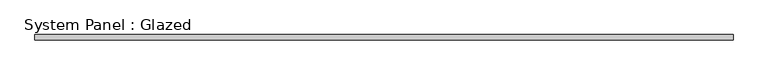
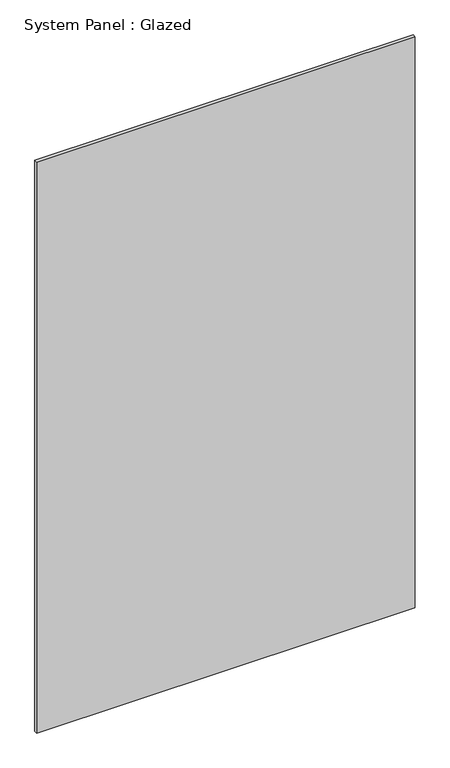
"""IFC4 building model written with IfcOpenShell, lengths in millimetres: plate geometry, System Panel : Glazed."""

from ifc_helpers import new_model, si_unit, origin, origin_with_axes, place, context, project, spatial, polyline, outline, extrude, source, transform, mapped, element, save


def system_panel_glazed_996e2672(model_context):
    return source(origin(), model_context, "Body", "SweptSolid", [
        extrude(outline(polyline([(812.8, 25.4), (-812.8, 25.4), (-812.8, 38.1), (812.8, 38.1), (812.8, 25.4)])), origin_with_axes(), (0.0, 0.0, 1.0), 2590.8),
    ])


if __name__ == "__main__":
    model = new_model("IFC4")
    model_context = context("Model", 3, world=origin())
    ifc_project = project(units=[si_unit("LENGTHUNIT", "METRE", prefix="MILLI")], contexts=[model_context])
    site = spatial("IfcSite", under=ifc_project)
    building = spatial("IfcBuilding", under=site)
    placement = place(None, origin())
    system_panel_glazed_shape = system_panel_glazed_996e2672(model_context)
    element("IfcPlate", 1, ObjectType="System Panel : Glazed", at=placement, inside=building, context=model_context, shape_type="MappedRepresentation", body=[
        mapped(system_panel_glazed_shape, transform((0.0, 0.0, 0.0), x_axis=(1.0, 0.0, 0.0), y_axis=(0.0, 1.0, 0.0), z_axis=(0.0, 0.0, 1.0))),
    ])
    save(model, "model.ifc")
